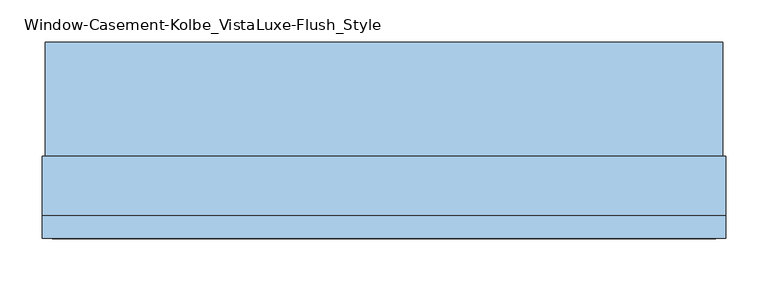
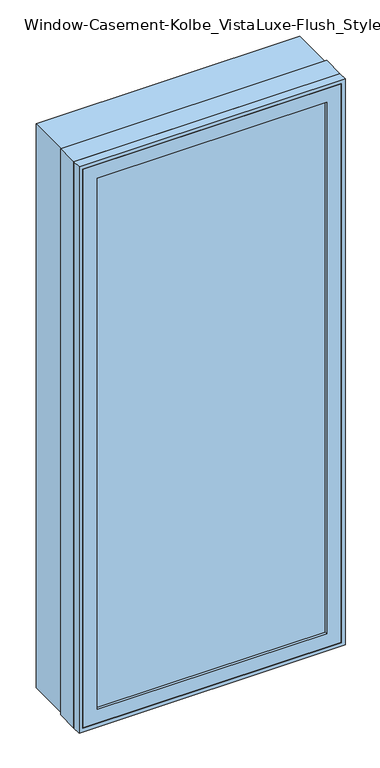
"""IFC4 building model written with IfcOpenShell, lengths in millimetres: window geometry, Window-Casement-Kolbe_VistaLuxe-Flush_Style."""

from ifc_helpers import new_model, si_unit, frame, origin, place, context, project, spatial, polyline, outline, extrude, faceted_brep, source, transform, mapped, element, save


def window_casement_kolbe_vistaluxe_flush_style_96f445ee(model_context):
    return source(origin(), model_context, "Body", "SolidModel", [
        faceted_brep([(-355.6696599, -121.37898, 970.676875), (-355.6696599, -129.31648, 970.676875), (344.5765901, -129.31648, 970.676875), (344.5765901, -121.37898, 970.676875), (-371.5446599, -99.12858, 954.801875), (-371.5446599, -121.37898, 954.801875), (360.4515901, -121.37898, 954.801875), (360.4515901, -99.12858, 954.801875), (-355.6696599, -80.10398, 970.676875), (-355.6696599, -99.12858, 970.676875), (344.5765901, -99.12858, 970.676875), (344.5765901, -80.10398, 970.676875), (-400.1196599, -129.31648, 926.226875), (-400.1196599, -80.10398, 926.226875), (389.0265901, -80.10398, 926.226875), (389.0265901, -129.31648, 926.226875), (344.5765901, -129.31648, 2686.923125), (344.5765901, -121.37898, 2686.923125), (360.4515901, -121.37898, 2702.798125), (360.4515901, -99.12858, 2702.798125), (344.5765901, -99.12858, 2686.923125), (344.5765901, -80.10398, 2686.923125), (389.0265901, -80.10398, 2731.373125), (389.0265901, -129.31648, 2731.373125), (-355.6696599, -129.31648, 2686.923125), (-355.6696599, -121.37898, 2686.923125), (-371.5446599, -121.37898, 2702.798125), (-371.5446599, -99.12858, 2702.798125), (-355.6696599, -99.12858, 2686.923125), (-355.6696599, -80.10398, 2686.923125), (-400.1196599, -80.10398, 2731.373125), (-400.1196599, -129.31648, 2731.373125)], [[[0, 1, 2, 3]], [[4, 5, 6, 7]], [[8, 9, 10, 11]], [[12, 13, 14, 15]], [[3, 2, 16, 17]], [[7, 6, 18, 19]], [[11, 10, 20, 21]], [[15, 14, 22, 23]], [[17, 16, 24, 25]], [[19, 18, 26, 27]], [[21, 20, 28, 29]], [[23, 22, 30, 31]], [[25, 24, 1, 0]], [[5, 26, 18, 6], [3, 17, 25, 0]], [[27, 26, 5, 4]], [[7, 19, 27, 4], [9, 28, 20, 10]], [[29, 28, 9, 8]], [[13, 30, 22, 14], [11, 21, 29, 8]], [[31, 30, 13, 12]], [[15, 23, 31, 12], [1, 24, 16, 2]]]),
        extrude(outline(polyline([(2739.6186, 397.2720651), (2739.6186, -408.3651349), (917.9814, -408.3651349), (917.9814, 397.2720651), (2739.6186, 397.2720651)]), holes=[polyline([(936.545625, 378.7078401), (936.545625, -389.8009099), (2721.054375, -389.8009099), (2721.054375, 378.7078401), (936.545625, 378.7078401)])]), frame((0.0, -32.5247, 0.0), z_axis=(0.0, 1.0, 0.0), x_axis=(0.0, 0.0, 1.0)), (0.0, 0.0, 1.0), 135.7122),
        extrude(outline(polyline([(2743.2, -411.9465349), (914.4, -411.9465349), (914.4, 400.8534651), (2743.2, 400.8534651), (2743.2, -411.9465349)]), holes=[polyline([(2731.373125, 389.0265901), (926.226875, 389.0265901), (926.226875, -400.1196599), (2731.373125, -400.1196599), (2731.373125, 389.0265901)])]), frame((0.0, -130.1115, 0.0), z_axis=(0.0, 1.0, 0.0), x_axis=(0.0, 0.0, 1.0)), (0.0, 0.0, 1.0), 26.924),
        faceted_brep([(400.8534651, -32.5247, 914.4), (400.8534651, -103.1875, 914.4), (-411.9465349, -103.1875, 914.4), (-411.9465349, -32.5247, 914.4), (378.7078401, -80.10525, 936.545625), (378.7078401, -32.5247, 936.545625), (-389.8009099, -32.5247, 936.545625), (-389.8009099, -80.10525, 936.545625), (389.0265901, -103.1875, 926.226875), (389.0265901, -80.10525, 926.226875), (-400.1196599, -80.10525, 926.226875), (-400.1196599, -103.1875, 926.226875), (-411.9465349, -103.1875, 2743.2), (-411.9465349, -32.5247, 2743.2), (-389.8009099, -32.5247, 2721.054375), (-389.8009099, -80.10525, 2721.054375), (-400.1196599, -80.10525, 2731.373125), (-400.1196599, -103.1875, 2731.373125), (400.8534651, -103.1875, 2743.2), (400.8534651, -32.5247, 2743.2), (378.7078401, -32.5247, 2721.054375), (378.7078401, -80.10525, 2721.054375), (389.0265901, -80.10525, 2731.373125), (389.0265901, -103.1875, 2731.373125)], [[[0, 1, 2, 3]], [[4, 5, 6, 7]], [[8, 9, 10, 11]], [[3, 2, 12, 13]], [[7, 6, 14, 15]], [[11, 10, 16, 17]], [[13, 12, 18, 19]], [[15, 14, 20, 21]], [[17, 16, 22, 23]], [[19, 18, 1, 0]], [[3, 13, 19, 0], [5, 20, 14, 6]], [[21, 20, 5, 4]], [[9, 22, 16, 10], [7, 15, 21, 4]], [[23, 22, 9, 8]], [[1, 18, 12, 2], [11, 17, 23, 8]]]),
        extrude(outline(polyline([(357.2765901, -102.30358), (-368.3696599, -102.30358), (-368.3696599, -99.12858), (357.2765901, -99.12858), (357.2765901, -102.30358)])), frame((0.0, 0.0, 957.976875), z_axis=(0.0, 0.0, 1.0), x_axis=(1.0, 0.0, 0.0)), (0.0, 0.0, 1.0), 1741.64625),
        extrude(outline(polyline([(357.2765901, -118.20398), (357.2765901, -121.37898), (-368.3696599, -121.37898), (-368.3696599, -118.20398), (357.2765901, -118.20398)])), frame((0.0, 0.0, 957.976875), z_axis=(0.0, 0.0, 1.0), x_axis=(1.0, 0.0, 0.0)), (0.0, 0.0, 1.0), 1741.64625),
        extrude(outline(polyline([(936.545625, 378.7078401), (2721.054375, 378.7078401), (2721.054375, -389.8009099), (936.545625, -389.8009099), (936.545625, 378.7078401)]), holes=[polyline([(954.801875, -371.5446599), (2702.798125, -371.5446599), (2702.798125, 360.4515901), (954.801875, 360.4515901), (954.801875, -371.5446599)])]), frame((0.0, -80.10525, 0.0), z_axis=(0.0, 1.0, 0.0), x_axis=(0.0, 0.0, 1.0)), (0.0, 0.0, 1.0), 50.8),
    ])


if __name__ == "__main__":
    model = new_model("IFC4")
    model_context = context("Model", 3, world=origin())
    ifc_project = project(units=[si_unit("LENGTHUNIT", "METRE", prefix="MILLI")], contexts=[model_context])
    site = spatial("IfcSite", under=ifc_project)
    building = spatial("IfcBuilding", under=site)
    placement = place(None, origin())
    window_casement_kolbe_vistaluxe_flush_style_shape = window_casement_kolbe_vistaluxe_flush_style_96f445ee(model_context)
    element("IfcWindow", 1, ObjectType="Window-Casement-Kolbe_VistaLuxe-Flush_Style", at=placement, inside=building, context=model_context, shape_type="MappedRepresentation", body=[
        mapped(window_casement_kolbe_vistaluxe_flush_style_shape, transform((0.0, 0.0, 0.0), x_axis=(1.0, 0.0, 0.0), y_axis=(0.0, 1.0, 0.0), z_axis=(0.0, 0.0, 1.0))),
    ])
    save(model, "model.ifc")
